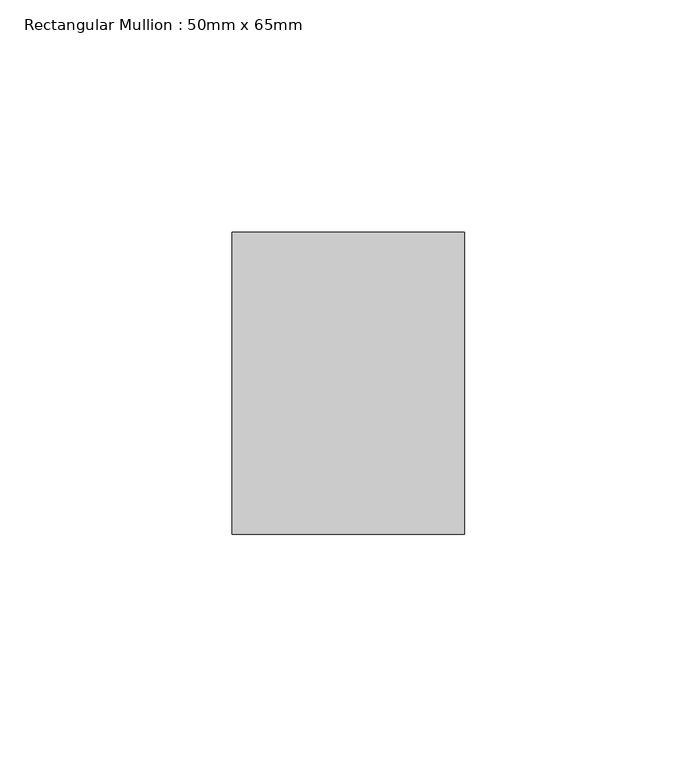
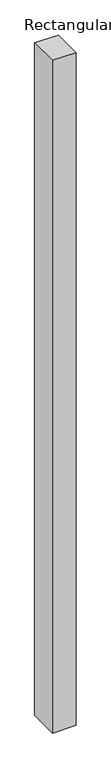
"""IFC4 building model written with IfcOpenShell, lengths in millimetres: member geometry, Rectangular Mullion : 50mm x 65mm."""

from ifc_helpers import new_model, si_unit, origin, place, context, project, spatial, faceted_brep, source, transform, mapped, element, save


def rectangular_mullion_50mm_x_65mm_ae05cd8d(model_context):
    return source(origin(), model_context, "Body", "Brep", [
        faceted_brep([(-25.0, 32.5, -0.2664488), (25.0, 32.5, -0.2664468), (25.0, 32.5, -1499.6462679), (-25.0, 32.5, -1499.6462652), (-25.0, -32.5, 0.2664468), (-25.0, -32.5, -1500.353606), (25.0, -32.5, 0.2664488), (25.0, -32.5, -1500.3536087)], [[[0, 1, 2, 3]], [[4, 0, 3, 5]], [[6, 4, 5, 7]], [[1, 6, 7, 2]], [[1, 0, 4, 6]], [[2, 7, 5, 3]]]),
    ])


if __name__ == "__main__":
    model = new_model("IFC4")
    model_context = context("Model", 3, world=origin())
    ifc_project = project(units=[si_unit("LENGTHUNIT", "METRE", prefix="MILLI")], contexts=[model_context])
    site = spatial("IfcSite", under=ifc_project)
    building = spatial("IfcBuilding", under=site)
    placement = place(None, origin())
    rectangular_mullion_50mm_x_65mm_shape = rectangular_mullion_50mm_x_65mm_ae05cd8d(model_context)
    element("IfcMember", 1, ObjectType="Rectangular Mullion : 50mm x 65mm", at=placement, inside=building, context=model_context, shape_type="MappedRepresentation", body=[
        mapped(rectangular_mullion_50mm_x_65mm_shape, transform((0.0, 0.0, 0.0), x_axis=(1.0, 0.0, 0.0), y_axis=(0.0, 1.0, 0.0), z_axis=(0.0, 0.0, 1.0))),
    ])
    save(model, "model.ifc")
